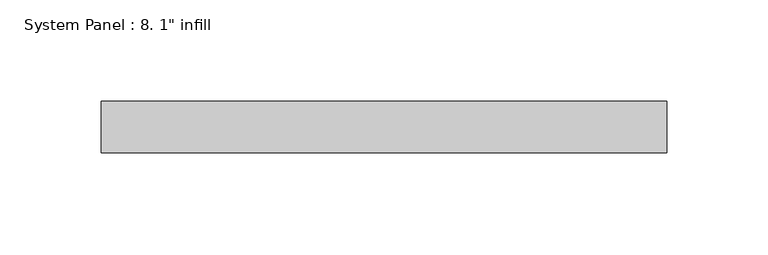
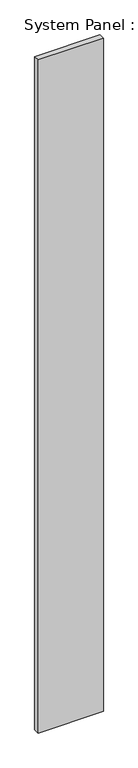
"""IFC4 building model written with IfcOpenShell, lengths in millimetres: plate geometry."""

from ifc_helpers import new_model, si_unit, origin, origin_with_axes, place, context, project, spatial, polyline, outline, extrude, source, transform, mapped, element, save


def plate_7cba1ff9(model_context):
    return source(origin(), model_context, "Body", "SweptSolid", [
        extrude(outline(polyline([(139.7, 0.0), (-139.7, 0.0), (-139.7, 25.4), (139.7, 25.4), (139.7, 0.0)])), origin_with_axes(), (0.0, 0.0, 1.0), 3048.0),
    ])


if __name__ == "__main__":
    model = new_model("IFC4")
    model_context = context("Model", 3, world=origin())
    ifc_project = project(units=[si_unit("LENGTHUNIT", "METRE", prefix="MILLI")], contexts=[model_context])
    site = spatial("IfcSite", under=ifc_project)
    building = spatial("IfcBuilding", under=site)
    placement = place(None, origin())
    plate_shape = plate_7cba1ff9(model_context)
    element("IfcPlate", 1, ObjectType="System Panel : 8. 1\" infill", at=placement, inside=building, context=model_context, shape_type="MappedRepresentation", body=[
        mapped(plate_shape, transform((0.0, 0.0, 0.0), x_axis=(1.0, 0.0, 0.0), y_axis=(0.0, 1.0, 0.0), z_axis=(0.0, 0.0, 1.0))),
    ])
    save(model, "model.ifc")
